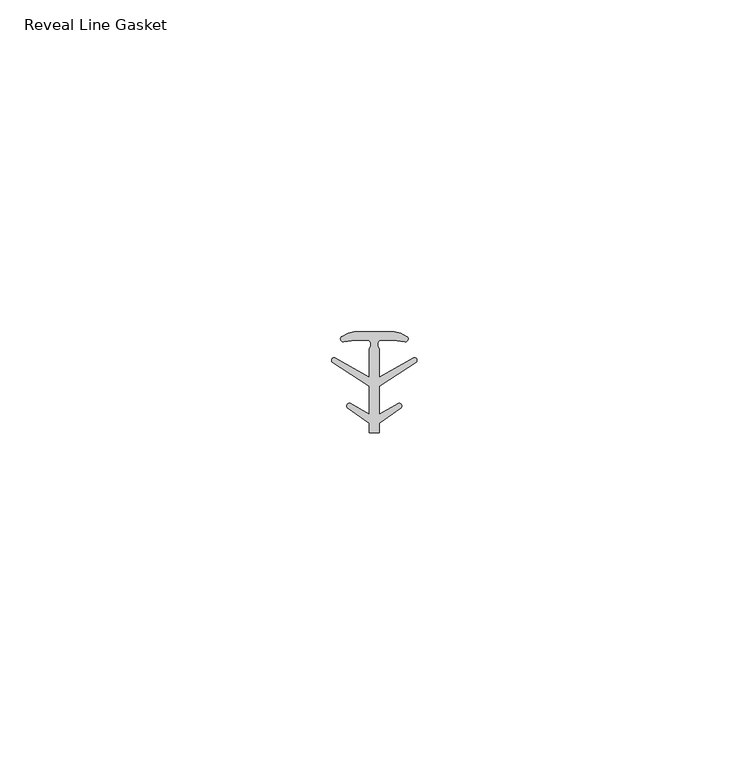
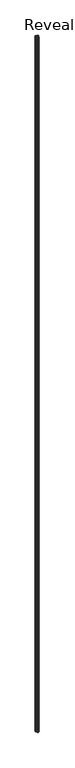
"""IFC4 building model written with IfcOpenShell, lengths in millimetres: proxy geometry, Reveal Line Gasket."""

from ifc_helpers import new_model, si_unit, point, frame, frame_2d, origin, place, context, project, spatial, polyline, circle_curve, trimmed, segment, composite_curve, outline, extrude, source, transform, mapped, element, save


def reveal_line_gasket_f25f5f4f(model_context):
    return source(origin(), model_context, "Body", "SweptSolid", [
        extrude(outline(composite_curve([segment(polyline([(2.999107, 7.6326998), (3.9545998, 7.4091917), (4.8875754, 6.8813059)]), True, "CONTINUOUS"), segment(trimmed(circle_curve(frame_2d((4.6855864, 6.5243141)), 0.4101739), [point((4.8875754, 6.8813059))], [point((4.5932418, 6.1246704))], False, "CARTESIAN"), True, "CONTINUOUS"), segment(polyline([(4.5932418, 6.1246704), (2.8970156, 6.3626997), (0.8645598, 6.3626997)]), True, "CONTINUOUS"), segment(trimmed(circle_curve(frame_2d((1.2810328, 5.6959605)), 0.786124), [point((0.8645598, 6.3626997))], [point((0.7769821, 5.0926996))], True, "CARTESIAN"), True, "CONTINUOUS"), segment(polyline([(0.7769821, 5.0926996), (0.7769821, 0.7492996), (5.9386365, 3.7293824)]), True, "CONTINUOUS"), segment(trimmed(circle_curve(frame_2d((6.0040832, 3.3132479)), 0.4212495), [point((5.9386365, 3.7293824))], [point((6.3317429, 3.0485022))], False, "CARTESIAN"), True, "CONTINUOUS"), segment(polyline([(6.3317429, 3.0485022), (0.7769821, -0.5742594), (0.7769821, -4.8262978), (3.6526367, -3.1660374)]), True, "CONTINUOUS"), segment(trimmed(circle_curve(frame_2d((3.7109925, -3.5978728)), 0.4357605), [point((3.6526367, -3.1660374))], [point((4.0557951, -3.864328))], False, "CARTESIAN"), True, "CONTINUOUS"), segment(polyline([(4.0557951, -3.864328), (0.7769821, -6.1944059), (0.7769821, -7.6326998), (-0.778768, -7.6326998), (-0.778768, -6.1944059), (-4.0575811, -3.864328)]), True, "CONTINUOUS"), segment(trimmed(circle_curve(frame_2d((-3.7127785, -3.5978728)), 0.4357605), [point((-4.0575811, -3.864328))], [point((-3.6544226, -3.1660374))], False, "CARTESIAN"), True, "CONTINUOUS"), segment(polyline([(-3.6544226, -3.1660374), (-0.778768, -4.8262978), (-0.778768, -0.5742594), (-6.3335288, 3.0485022)]), True, "CONTINUOUS"), segment(trimmed(circle_curve(frame_2d((-6.0058691, 3.3132479)), 0.4212495), [point((-6.3335288, 3.0485022))], [point((-5.9404224, 3.7293824))], False, "CARTESIAN"), True, "CONTINUOUS"), segment(polyline([(-5.9404224, 3.7293824), (-0.778768, 0.7492996), (-0.778768, 5.0926996)]), True, "CONTINUOUS"), segment(trimmed(circle_curve(frame_2d((-1.2828188, 5.6959605)), 0.786124), [point((-0.778768, 5.0926996))], [point((-0.8663457, 6.3626997))], True, "CARTESIAN"), True, "CONTINUOUS"), segment(polyline([(-0.8663457, 6.3626997), (-2.8988015, 6.3626997), (-4.5950277, 6.1246704)]), True, "CONTINUOUS"), segment(trimmed(circle_curve(frame_2d((-4.6873723, 6.5243141)), 0.4101739), [point((-4.5950277, 6.1246704))], [point((-4.8893614, 6.8813059))], False, "CARTESIAN"), True, "CONTINUOUS"), segment(polyline([(-4.8893614, 6.8813059), (-3.9563857, 7.4091917), (-3.000893, 7.6326998), (2.999107, 7.6326998)]), True, "CONTINUOUS")], self_intersect=False)), frame((0.0, 0.0, 84.836), z_axis=(0.0, 0.0, 1.0), x_axis=(1.0, 0.0, 0.0)), (0.0, 0.0, 1.0), 2963.164),
    ])


if __name__ == "__main__":
    model = new_model("IFC4")
    model_context = context("Model", 3, world=origin())
    ifc_project = project(units=[si_unit("LENGTHUNIT", "METRE", prefix="MILLI")], contexts=[model_context])
    site = spatial("IfcSite", under=ifc_project)
    building = spatial("IfcBuilding", under=site)
    placement = place(None, origin())
    reveal_line_gasket_shape = reveal_line_gasket_f25f5f4f(model_context)
    element("IfcBuildingElementProxy", 1, Name="Reveal Line Gasket", ObjectType="Reveal Line Gasket", at=placement, inside=building, context=model_context, shape_type="MappedRepresentation", body=[
        mapped(reveal_line_gasket_shape, transform((0.0, 0.0, 0.0), x_axis=(1.0, 0.0, 0.0), y_axis=(0.0, 1.0, 0.0), z_axis=(0.0, 0.0, 1.0))),
    ])
    save(model, "model.ifc")
